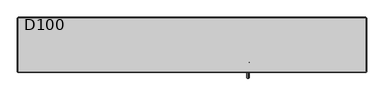
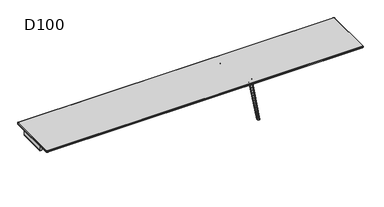
"""IFC4 building model written with IfcOpenShell, lengths in millimetres: furniture geometry, D100."""

from ifc_helpers import new_model, si_unit, point, frame, frame_2d, origin, place, context, project, spatial, polyline, circle_curve, ellipse_curve, trimmed, segment, composite_curve, outline, extrude, source, transform, mapped, element, save
from ifc_brep_helpers import plane_surface, cylinder_surface, revolved_surface, advanced_brep


def d100_85798ff0(model_context):
    return source(origin(), model_context, "Body", "SolidModel", [
        extrude(outline(composite_curve([segment(trimmed(circle_curve(frame_2d((611.0, 1050.0)), 15.0), [point((611.0, 1035.0))], [point((596.0, 1050.0))], False, "CARTESIAN"), True, "CONTINUOUS"), segment(polyline([(596.0, 1050.0), (596.0, 1065.0)]), True, "CONTINUOUS"), segment(trimmed(circle_curve(frame_2d((611.0, 1065.0)), 15.0), [point((596.0, 1065.0))], [point((611.0, 1080.0))], False, "CARTESIAN"), True, "CONTINUOUS"), segment(polyline([(611.0, 1080.0), (700.0, 1080.0), (700.0, 1035.0), (611.0, 1035.0)]), True, "CONTINUOUS")], self_intersect=False)), frame((0.0, -264.7236545, 0.0), z_axis=(0.0, 1.0, 0.0), x_axis=(0.0, 0.0, 1.0)), (0.0, 0.0, 1.0), 529.4473089),
        extrude(outline(composite_curve([segment(polyline([(611.0, 1035.0), (700.0, 1035.0), (700.0, 990.0), (611.0, 990.0)]), True, "CONTINUOUS"), segment(trimmed(circle_curve(frame_2d((611.0, 1005.0)), 15.0), [point((611.0, 990.0))], [point((596.0, 1005.0))], False, "CARTESIAN"), True, "CONTINUOUS"), segment(polyline([(596.0, 1005.0), (596.0, 1020.0)]), True, "CONTINUOUS"), segment(trimmed(circle_curve(frame_2d((611.0, 1020.0)), 15.0), [point((596.0, 1020.0))], [point((611.0, 1035.0))], False, "CARTESIAN"), True, "CONTINUOUS")], self_intersect=False)), frame((0.0, -264.7236545, 0.0), z_axis=(0.0, 1.0, 0.0), x_axis=(0.0, 0.0, 1.0)), (0.0, 0.0, 1.0), 529.4473089),
        extrude(outline(composite_curve([segment(polyline([(611.0, 3149.0), (700.0, 3149.0), (700.0, 3104.0), (611.0, 3104.0)]), True, "CONTINUOUS"), segment(trimmed(circle_curve(frame_2d((611.0, 3119.0)), 15.0), [point((611.0, 3104.0))], [point((596.0, 3119.0))], False, "CARTESIAN"), True, "CONTINUOUS"), segment(polyline([(596.0, 3119.0), (596.0, 3134.0)]), True, "CONTINUOUS"), segment(trimmed(circle_curve(frame_2d((611.0, 3134.0)), 15.0), [point((596.0, 3134.0))], [point((611.0, 3149.0))], False, "CARTESIAN"), True, "CONTINUOUS")], self_intersect=False)), frame((0.0, -264.7236545, 0.0), z_axis=(0.0, 1.0, 0.0), x_axis=(0.0, 0.0, 1.0)), (0.0, 0.0, 1.0), 529.4473089),
        extrude(outline(composite_curve([segment(polyline([(611.0, -1035.0), (700.0, -1035.0), (700.0, -1080.0), (611.0, -1080.0)]), True, "CONTINUOUS"), segment(trimmed(circle_curve(frame_2d((611.0, -1065.0)), 15.0), [point((611.0, -1080.0))], [point((596.0, -1065.0))], False, "CARTESIAN"), True, "CONTINUOUS"), segment(polyline([(596.0, -1065.0), (596.0, -1050.0)]), True, "CONTINUOUS"), segment(trimmed(circle_curve(frame_2d((611.0, -1050.0)), 15.0), [point((596.0, -1050.0))], [point((611.0, -1035.0))], False, "CARTESIAN"), True, "CONTINUOUS")], self_intersect=False)), frame((0.0, -264.7236545, 0.0), z_axis=(0.0, 1.0, 0.0), x_axis=(0.0, 0.0, 1.0)), (0.0, 0.0, 1.0), 529.4473089),
        extrude(outline(composite_curve([segment(trimmed(circle_curve(frame_2d((611.0, -1020.0)), 15.0), [point((611.0, -1035.0))], [point((596.0, -1020.0))], False, "CARTESIAN"), True, "CONTINUOUS"), segment(polyline([(596.0, -1020.0), (596.0, -1005.0)]), True, "CONTINUOUS"), segment(trimmed(circle_curve(frame_2d((611.0, -1005.0)), 15.0), [point((596.0, -1005.0))], [point((611.0, -990.0))], False, "CARTESIAN"), True, "CONTINUOUS"), segment(polyline([(611.0, -990.0), (700.0, -990.0), (700.0, -1035.0), (611.0, -1035.0)]), True, "CONTINUOUS")], self_intersect=False)), frame((0.0, -264.7236545, 0.0), z_axis=(0.0, 1.0, 0.0), x_axis=(0.0, 0.0, 1.0)), (0.0, 0.0, 1.0), 529.4473089),
        extrude(outline(composite_curve([segment(trimmed(circle_curve(frame_2d((611.0, -3134.0)), 15.0), [point((611.0, -3149.0))], [point((596.0, -3134.0))], False, "CARTESIAN"), True, "CONTINUOUS"), segment(polyline([(596.0, -3134.0), (596.0, -3119.0)]), True, "CONTINUOUS"), segment(trimmed(circle_curve(frame_2d((611.0, -3119.0)), 15.0), [point((596.0, -3119.0))], [point((611.0, -3104.0))], False, "CARTESIAN"), True, "CONTINUOUS"), segment(polyline([(611.0, -3104.0), (700.0, -3104.0), (700.0, -3149.0), (611.0, -3149.0)]), True, "CONTINUOUS")], self_intersect=False)), frame((0.0, -264.7236545, 0.0), z_axis=(0.0, 1.0, 0.0), x_axis=(0.0, 0.0, 1.0)), (0.0, 0.0, 1.0), 529.4473089),
        advanced_brep(
        [(-3132.0, 495.0, 732.0), (-3145.0, 482.0, 732.0), (-3145.0, -482.0, 732.0), (-3132.0, -495.0, 732.0), (3132.0, -495.0, 732.0), (3145.0, -482.0, 732.0), (3145.0, 482.0, 732.0), (3132.0, 495.0, 732.0), (-3145.0, 482.0, 706.0), (-3132.0, 495.0, 706.0), (3132.0, 495.0, 706.0), (3145.0, 482.0, 706.0), (3145.0, -482.0, 706.0), (3132.0, -495.0, 706.0), (-3132.0, -495.0, 706.0), (-3145.0, -482.0, 706.0), (-3150.0, 482.0, 727.0000055), (-3150.0, 482.0, 711.0), (-3150.0, -482.0, 711.0), (-3150.0, -482.0, 727.0), (-3132.0, -500.0, 711.0), (-3132.0, -500.0, 727.0000046), (3132.0, -500.0, 711.0), (3132.0, -500.0, 727.0), (3150.0, -482.0, 711.0), (3150.0, -482.0, 727.0000026), (3150.0, 482.0, 711.0), (3150.0, 482.0, 727.0), (-3132.0, 500.0, 711.0), (-3132.0, 500.0, 727.0), (3132.0, 500.0, 711.0), (3132.0, 500.0, 727.0)],
        [
            (0, 1, circle_curve(frame((-3132.0, 482.0, 732.0), z_axis=(0.0, 0.0, 1.0), x_axis=(0.0, 1.0, 0.0)), 13.0)),
            (1, 2),
            (2, 3, circle_curve(frame((-3132.0, -482.0, 732.0), z_axis=(0.0, 0.0, 1.0), x_axis=(-1.0, 0.0, 0.0)), 13.0)),
            (3, 4),
            (4, 5, circle_curve(frame((3132.0, -482.0, 732.0), z_axis=(0.0, 0.0, 1.0), x_axis=(0.0, -1.0, 0.0)), 13.0)),
            (5, 6),
            (6, 7, circle_curve(frame((3132.0, 482.0, 732.0), z_axis=(0.0, 0.0, 1.0), x_axis=(1.0, 0.0, 0.0)), 13.0)),
            (7, 0),
            (8, 9, circle_curve(frame((-3132.0, 482.0, 706.0), z_axis=(0.0, 0.0, -1.0), x_axis=(0.0, 1.0, 0.0)), 13.0)),
            (9, 10),
            (10, 11, circle_curve(frame((3132.0, 482.0, 706.0), z_axis=(0.0, 0.0, -1.0), x_axis=(1.0, 0.0, 0.0)), 13.0)),
            (11, 12),
            (12, 13, circle_curve(frame((3132.0, -482.0, 706.0), z_axis=(0.0, 0.0, -1.0), x_axis=(0.0, -1.0, 0.0)), 13.0)),
            (13, 14),
            (14, 15, circle_curve(frame((-3132.0, -482.0, 706.0), z_axis=(0.0, 0.0, -1.0), x_axis=(-1.0, 0.0, 0.0)), 13.0)),
            (15, 8),
            (16, 17),
            (17, 18),
            (18, 19),
            (19, 16),
            (18, 20, circle_curve(frame((-3132.0, -482.0, 711.0), z_axis=(0.0, 0.0, 1.0), x_axis=(1.0, 0.0, 0.0)), 18.0)),
            (20, 21),
            (21, 19, circle_curve(frame((-3132.0, -482.0, 727.0), z_axis=(0.0, 0.0, -1.0), x_axis=(1.0, 0.0, 0.0)), 18.0)),
            (20, 22),
            (22, 23),
            (23, 21),
            (22, 24, circle_curve(frame((3132.0, -482.0, 711.0), z_axis=(0.0, 0.0, 1.0), x_axis=(1.0, 0.0, 0.0)), 18.0)),
            (24, 25),
            (25, 23, circle_curve(frame((3132.0, -482.0, 727.0), z_axis=(0.0, 0.0, -1.0), x_axis=(1.0, 0.0, 0.0)), 18.0)),
            (24, 26),
            (26, 27),
            (27, 25),
            (8, 17, circle_curve(frame((-3145.0, 482.0, 711.0), z_axis=(0.0, 1.0, 0.0), x_axis=(1.0, 0.0, 0.0)), 5.0)),
            (17, 28, circle_curve(frame((-3132.0, 482.0, 711.0), z_axis=(0.0, 0.0, -1.0), x_axis=(0.0, 1.0, 0.0)), 18.0)),
            (28, 9, circle_curve(frame((-3132.0, 495.0, 711.0), z_axis=(-1.0, 0.0, 0.0), x_axis=(0.0, -1.0, 0.0)), 5.0)),
            (16, 1, circle_curve(frame((-3145.0, 482.0, 727.0), z_axis=(0.0, 1.0, 0.0), x_axis=(1.0, 0.0, 0.0)), 5.0)),
            (0, 29, circle_curve(frame((-3132.0, 495.0, 727.0), z_axis=(-1.0, 0.0, 0.0), x_axis=(0.0, -1.0, 0.0)), 5.0)),
            (29, 16, circle_curve(frame((-3132.0, 482.0, 727.0), z_axis=(0.0, 0.0, 1.0), x_axis=(0.0, 1.0, 0.0)), 18.0)),
            (15, 18, circle_curve(frame((-3145.0, -482.0, 711.0), z_axis=(0.0, 1.0, 0.0), x_axis=(1.0, 0.0, 0.0)), 5.0)),
            (19, 2, circle_curve(frame((-3145.0, -482.0, 727.0), z_axis=(0.0, 1.0, 0.0), x_axis=(1.0, 0.0, 0.0)), 5.0)),
            (14, 20, circle_curve(frame((-3132.0, -495.0, 711.0), z_axis=(-1.0, 0.0, 0.0), x_axis=(0.0, 1.0, 0.0)), 5.0)),
            (21, 3, circle_curve(frame((-3132.0, -495.0, 727.0), z_axis=(-1.0, 0.0, 0.0), x_axis=(0.0, 1.0, 0.0)), 5.0)),
            (13, 22, circle_curve(frame((3132.0, -495.0, 711.0), z_axis=(-1.0, 0.0, 0.0), x_axis=(0.0, 1.0, 0.0)), 5.0)),
            (23, 4, circle_curve(frame((3132.0, -495.0, 727.0), z_axis=(-1.0, 0.0, 0.0), x_axis=(0.0, 1.0, 0.0)), 5.0)),
            (12, 24, circle_curve(frame((3145.0, -482.0, 711.0), z_axis=(0.0, -1.0, 0.0), x_axis=(-1.0, 0.0, 0.0)), 5.0)),
            (25, 5, circle_curve(frame((3145.0, -482.0, 727.0), z_axis=(0.0, -1.0, 0.0), x_axis=(-1.0, 0.0, 0.0)), 5.0)),
            (11, 26, circle_curve(frame((3145.0, 482.0, 711.0), z_axis=(0.0, -1.0, 0.0), x_axis=(-1.0, 0.0, 0.0)), 5.0)),
            (27, 6, circle_curve(frame((3145.0, 482.0, 727.0), z_axis=(0.0, -1.0, 0.0), x_axis=(-1.0, 0.0, 0.0)), 5.0)),
            (10, 30, circle_curve(frame((3132.0, 495.0, 711.0), z_axis=(1.0, 0.0, 0.0), x_axis=(0.0, -1.0, 0.0)), 5.0)),
            (30, 26, circle_curve(frame((3132.0, 482.0, 711.0), z_axis=(0.0, 0.0, -1.0), x_axis=(1.0, 0.0, 0.0)), 18.0)),
            (27, 31, circle_curve(frame((3132.0, 482.0, 727.0), z_axis=(0.0, 0.0, 1.0), x_axis=(1.0, 0.0, 0.0)), 18.0)),
            (31, 7, circle_curve(frame((3132.0, 495.0, 727.0), z_axis=(1.0, 0.0, 0.0), x_axis=(0.0, -1.0, 0.0)), 5.0)),
            (28, 30),
            (31, 29),
            (30, 31),
            (28, 29),
        ],
        [
            plane_surface(frame((-3150.0, -482.0, 732.0), z_axis=(0.0, 0.0, 1.0), x_axis=(0.0, -1.0, 0.0))),
            plane_surface(frame((-3150.0, -482.0, 706.0), z_axis=(0.0, 0.0, -1.0), x_axis=(0.0, 1.0, 0.0))),
            plane_surface(frame((-3150.0, 482.0, 732.0), z_axis=(-1.0, 0.0, 0.0), x_axis=(0.0, 0.0, -1.0))),
            cylinder_surface(frame((-3132.0, -482.0, 706.0), z_axis=(0.0, 0.0, 1.0), x_axis=(1.0, 0.0, 0.0)), 18.0),
            plane_surface(frame((-3132.0, -500.0, 732.0), z_axis=(0.0, -1.0, 0.0), x_axis=(0.0, 0.0, -1.0))),
            cylinder_surface(frame((3132.0, -482.0, 706.0), z_axis=(0.0, 0.0, 1.0), x_axis=(1.0, 0.0, 0.0)), 18.0),
            plane_surface(frame((3150.0, -482.0, 732.0), z_axis=(1.0, 0.0, 0.0), x_axis=(0.0, 0.0, -1.0))),
            revolved_surface(trimmed(ellipse_curve(frame((-3132.0, 495.0, 711.0), z_axis=(1.0, 0.0, 0.0), x_axis=(0.0, -1.0, 0.0)), 5.0, 5.0), [point((-3132.0, 495.0, 706.0))], [point((-3132.0, 500.0, 711.0))], True, "CARTESIAN"), (-3132.0, 482.0, -180.0), (0.0, 0.0, 1.0)),
            revolved_surface(trimmed(ellipse_curve(frame((-3132.0, 495.0, 727.0), z_axis=(1.0, 0.0, 0.0), x_axis=(0.0, -1.0, 0.0)), 5.0, 5.0), [point((-3132.0, 500.0, 727.0))], [point((-3132.0, 495.0, 732.0))], True, "CARTESIAN"), (-3132.0, 482.0, -180.0), (0.0, 0.0, 1.0)),
            cylinder_surface(frame((-3145.0, 482.0, 711.0), z_axis=(0.0, -1.0, 0.0), x_axis=(1.0, 0.0, 0.0)), 5.0),
            cylinder_surface(frame((-3145.0, 482.0, 727.0), z_axis=(0.0, -1.0, 0.0), x_axis=(1.0, 0.0, 0.0)), 5.0),
            revolved_surface(trimmed(ellipse_curve(frame((-3145.0, -482.0, 711.0), z_axis=(0.0, 1.0, 0.0), x_axis=(1.0, 0.0, 0.0)), 5.0, 5.0), [point((-3145.0, -482.0, 706.0))], [point((-3150.0, -482.0, 711.0))], True, "CARTESIAN"), (-3132.0, -482.0, -180.0), (0.0, 0.0, 1.0)),
            revolved_surface(trimmed(ellipse_curve(frame((-3145.0, -482.0, 727.0), z_axis=(0.0, 1.0, 0.0), x_axis=(1.0, 0.0, 0.0)), 5.0, 5.0), [point((-3150.0, -482.0, 727.0))], [point((-3145.0, -482.0, 732.0))], True, "CARTESIAN"), (-3132.0, -482.0, -180.0), (0.0, 0.0, 1.0)),
            cylinder_surface(frame((-3132.0, -495.0, 711.0), z_axis=(1.0, 0.0, 0.0), x_axis=(0.0, 1.0, 0.0)), 5.0),
            cylinder_surface(frame((-3132.0, -495.0, 727.0), z_axis=(1.0, 0.0, 0.0), x_axis=(0.0, 1.0, 0.0)), 5.0),
            revolved_surface(trimmed(ellipse_curve(frame((3132.0, -495.0, 711.0), z_axis=(-1.0, 0.0, 0.0), x_axis=(0.0, 1.0, 0.0)), 5.0, 5.0), [point((3132.0, -495.0, 706.0))], [point((3132.0, -500.0, 711.0))], True, "CARTESIAN"), (3132.0, -482.0, -180.0), (0.0, 0.0, 1.0)),
            revolved_surface(trimmed(ellipse_curve(frame((3132.0, -495.0, 727.0), z_axis=(-1.0, 0.0, 0.0), x_axis=(0.0, 1.0, 0.0)), 5.0, 5.0), [point((3132.0, -500.0, 727.0))], [point((3132.0, -495.0, 732.0))], True, "CARTESIAN"), (3132.0, -482.0, -180.0), (0.0, 0.0, 1.0)),
            cylinder_surface(frame((3145.0, -482.0, 711.0), z_axis=(0.0, 1.0, 0.0), x_axis=(-1.0, 0.0, 0.0)), 5.0),
            cylinder_surface(frame((3145.0, -482.0, 727.0), z_axis=(0.0, 1.0, 0.0), x_axis=(-1.0, 0.0, 0.0)), 5.0),
            revolved_surface(trimmed(ellipse_curve(frame((3145.0, 482.0, 711.0), z_axis=(0.0, -1.0, 0.0), x_axis=(-1.0, 0.0, 0.0)), 5.0, 5.0), [point((3145.0, 482.0, 706.0))], [point((3150.0, 482.0, 711.0))], True, "CARTESIAN"), (3132.0, 482.0, -180.0), (0.0, 0.0, 1.0)),
            revolved_surface(trimmed(ellipse_curve(frame((3145.0, 482.0, 727.0), z_axis=(0.0, -1.0, 0.0), x_axis=(-1.0, 0.0, 0.0)), 5.0, 5.0), [point((3150.0, 482.0, 727.0))], [point((3145.0, 482.0, 732.0))], True, "CARTESIAN"), (3132.0, 482.0, -180.0), (0.0, 0.0, 1.0)),
            cylinder_surface(frame((3132.0, 495.0, 711.0), z_axis=(-1.0, 0.0, 0.0), x_axis=(0.0, -1.0, 0.0)), 5.0),
            cylinder_surface(frame((3132.0, 495.0, 727.0), z_axis=(-1.0, 0.0, 0.0), x_axis=(0.0, -1.0, 0.0)), 5.0),
            cylinder_surface(frame((3132.0, 482.0, 706.0), z_axis=(0.0, 0.0, 1.0), x_axis=(1.0, 0.0, 0.0)), 18.0),
            plane_surface(frame((3132.0, 500.0, 732.0), z_axis=(0.0, 1.0, 0.0), x_axis=(0.0, 0.0, -1.0))),
            cylinder_surface(frame((-3132.0, 482.0, 706.0), z_axis=(0.0, 0.0, 1.0), x_axis=(1.0, 0.0, 0.0)), 18.0),
        ],
        [
            (0, [[1, 2, 3, 4, 5, 6, 7, 8]]),
            (1, [[9, 10, 11, 12, 13, 14, 15, 16]]),
            (2, [[17, 18, 19, 20]]),
            (3, [[-19, 21, 22, 23]]),
            (4, [[-22, 24, 25, 26]]),
            (5, [[-25, 27, 28, 29]]),
            (6, [[-28, 30, 31, 32]]),
            (7, [[33, 34, 35, -9]]),
            (8, [[36, -1, 37, 38]]),
            (9, [[-33, -16, 39, -18]]),
            (10, [[-36, -20, 40, -2]]),
            (11, [[-39, -15, 41, -21]]),
            (12, [[-40, -23, 42, -3]]),
            (13, [[-41, -14, 43, -24]]),
            (14, [[-42, -26, 44, -4]]),
            (15, [[-43, -13, 45, -27]]),
            (16, [[-44, -29, 46, -5]]),
            (17, [[-45, -12, 47, -30]]),
            (18, [[-46, -32, 48, -6]]),
            (19, [[-47, -11, 49, 50]]),
            (20, [[-48, 51, 52, -7]]),
            (21, [[-35, 53, -49, -10]]),
            (22, [[-37, -8, -52, 54]]),
            (23, [[-31, -50, 55, -51]]),
            (24, [[-55, -53, 56, -54]]),
            (25, [[-17, -38, -56, -34]]),
        ],
    ),
        advanced_brep(
        [(1104.7259826, 270.7236545, 641.5327762), (1079.9963104, 270.7236545, 611.3326759), (1065.0, 270.7236545, 596.0), (1050.0, 270.7236545, 596.0), (1035.0, 270.7236545, 611.0), (1035.0, 270.7236545, 700.0), (1295.0, 270.7236545, 700.0), (1295.0, 270.7236545, 692.1898324), (1278.5086325, 270.7236545, 672.5), (1104.7259826, 264.7236545, 641.5327762), (1278.5086325, 264.7236545, 672.5), (1295.0, 264.7236545, 692.1898324), (1295.0, 264.7236545, 700.0), (1035.0, 264.7236545, 700.0), (1035.0, 264.7236545, 611.0), (1050.0, 264.7236545, 596.0), (1065.0, 264.7236545, 596.0), (1079.9963104, 264.7236545, 611.3326759), (1035.0, 218.7236545, 700.0), (1035.0, 218.7236545, 706.0), (1035.0, 316.7236545, 706.0), (1035.0, 316.7236545, 700.0), (1051.0, 202.7236545, 706.0), (1279.0, 202.7236545, 706.0), (1295.0, 218.7236545, 706.0), (1295.0, 316.7236545, 706.0), (1279.0, 332.7236545, 706.0), (1051.0, 332.7236545, 706.0), (1295.0, 218.7236545, 700.0), (1295.0, 316.7236545, 700.0), (1051.0, 202.7236545, 700.0), (1279.0, 202.7236545, 700.0), (1051.0, 332.7236545, 700.0), (1279.0, 332.7236545, 700.0)],
        [
            (0, 1, circle_curve(frame((1109.9889313, 270.7236545, 611.9980276), z_axis=(0.0, -1.0, 0.0), x_axis=(-1.0, 0.0, 0.0)), 30.0)),
            (1, 2, circle_curve(frame((1065.0, 270.7236545, 611.0), z_axis=(0.0, 1.0, 0.0), x_axis=(-1.0, 0.0, 0.0)), 15.0)),
            (2, 3),
            (3, 4, circle_curve(frame((1050.0, 270.7236545, 611.0), z_axis=(0.0, 1.0, 0.0), x_axis=(-1.0, 0.0, 0.0)), 15.0)),
            (4, 5),
            (5, 6),
            (6, 7),
            (7, 8, circle_curve(frame((1275.0, 270.7236545, 692.1898324), z_axis=(0.0, 1.0, 0.0), x_axis=(-1.0, 0.0, 0.0)), 20.0)),
            (8, 0),
            (9, 10),
            (10, 11, circle_curve(frame((1275.0, 264.7236545, 692.1898324), z_axis=(0.0, -1.0, 0.0), x_axis=(-1.0, 0.0, 0.0)), 20.0)),
            (11, 12),
            (12, 13),
            (13, 14),
            (14, 15, circle_curve(frame((1050.0, 264.7236545, 611.0), z_axis=(0.0, -1.0, 0.0), x_axis=(-1.0, 0.0, 0.0)), 15.0)),
            (15, 16),
            (16, 17, circle_curve(frame((1065.0, 264.7236545, 611.0), z_axis=(0.0, -1.0, 0.0), x_axis=(-1.0, 0.0, 0.0)), 15.0)),
            (17, 9, circle_curve(frame((1109.9889313, 264.7236545, 611.9980276), z_axis=(0.0, 1.0, 0.0), x_axis=(-1.0, 0.0, 0.0)), 30.0)),
            (0, 9),
            (17, 1),
            (4, 14),
            (13, 18),
            (18, 19),
            (19, 20),
            (20, 21),
            (21, 5),
            (19, 22, circle_curve(frame((1051.0, 218.7236545, 706.0), z_axis=(0.0, 0.0, 1.0), x_axis=(1.0, 0.0, 0.0)), 16.0)),
            (22, 23),
            (23, 24, circle_curve(frame((1279.0, 218.7236545, 706.0), z_axis=(0.0, 0.0, 1.0), x_axis=(1.0, 0.0, 0.0)), 16.0)),
            (24, 25),
            (25, 26, circle_curve(frame((1279.0, 316.7236545, 706.0), z_axis=(0.0, 0.0, 1.0), x_axis=(1.0, 0.0, 0.0)), 16.0)),
            (26, 27),
            (27, 20, circle_curve(frame((1051.0, 316.7236545, 706.0), z_axis=(0.0, 0.0, 1.0), x_axis=(1.0, 0.0, 0.0)), 16.0)),
            (24, 28),
            (28, 12),
            (11, 7),
            (6, 29),
            (29, 25),
            (10, 8),
            (16, 2),
            (15, 3),
            (30, 18, circle_curve(frame((1051.0, 218.7236545, 700.0), z_axis=(0.0, 0.0, -1.0), x_axis=(1.0, 0.0, 0.0)), 16.0)),
            (28, 31, circle_curve(frame((1279.0, 218.7236545, 700.0), z_axis=(0.0, 0.0, -1.0), x_axis=(1.0, 0.0, 0.0)), 16.0)),
            (31, 30),
            (21, 32, circle_curve(frame((1051.0, 316.7236545, 700.0), z_axis=(0.0, 0.0, -1.0), x_axis=(1.0, 0.0, 0.0)), 16.0)),
            (32, 33),
            (33, 29, circle_curve(frame((1279.0, 316.7236545, 700.0), z_axis=(0.0, 0.0, -1.0), x_axis=(1.0, 0.0, 0.0)), 16.0)),
            (30, 22),
            (27, 32),
            (26, 33),
            (23, 31),
        ],
        [
            plane_surface(frame((1079.9889313, 270.7236545, 611.9980276), z_axis=(0.0, 1.0, 0.0), x_axis=(0.0, 0.0, -1.0))),
            plane_surface(frame((1079.9889313, 264.7236545, 611.9980276), z_axis=(0.0, -1.0, 0.0), x_axis=(0.0, 0.0, 1.0))),
            revolved_surface(polyline([(1079.9889313, 264.7236545, 611.9980276), (1079.9889313, 270.7236545, 611.9980276)]), (1109.9889313, 264.7236545, 611.9980276), (0.0, -1.0, 0.0)),
            plane_surface(frame((1035.0, 270.7236545, 611.0), z_axis=(-1.0, 0.0, 0.0), x_axis=(0.0, -1.0, 0.0))),
            plane_surface(frame((1035.0, 270.7236545, 706.0), z_axis=(0.0, 0.0, 1.0), x_axis=(0.0, -1.0, 0.0))),
            plane_surface(frame((1295.0, 270.7236545, 706.0), z_axis=(1.0, 0.0, 0.0), x_axis=(0.0, -1.0, 0.0))),
            cylinder_surface(frame((1275.0, 264.7236545, 692.1898324), z_axis=(0.0, 1.0, 0.0), x_axis=(-1.0, 0.0, 0.0)), 20.0),
            plane_surface(frame((1278.5086325, 270.7236545, 672.5), z_axis=(0.1754316229946508, 0.0, -0.9844916178685641), x_axis=(0.0, -1.0, 0.0))),
            cylinder_surface(frame((1065.0, 264.7236545, 611.0), z_axis=(0.0, 1.0, 0.0), x_axis=(-1.0, 0.0, 0.0)), 15.0),
            plane_surface(frame((1065.0, 270.7236545, 596.0), z_axis=(0.0, 0.0, -1.0), x_axis=(0.0, -1.0, 0.0))),
            cylinder_surface(frame((1050.0, 264.7236545, 611.0), z_axis=(0.0, 1.0, 0.0), x_axis=(-1.0, 0.0, 0.0)), 15.0),
            plane_surface(frame((1279.0, 202.7236545, 700.0), z_axis=(0.0, 0.0, -1.0), x_axis=(-1.0, 0.0, 0.0))),
            cylinder_surface(frame((1051.0, 218.7236545, 700.0), z_axis=(0.0, 0.0, 1.0), x_axis=(1.0, 0.0, 0.0)), 16.0),
            cylinder_surface(frame((1051.0, 316.7236545, 700.0), z_axis=(0.0, 0.0, 1.0), x_axis=(1.0, 0.0, 0.0)), 16.0),
            plane_surface(frame((1279.0, 332.7236545, 706.0), z_axis=(0.0, 1.0, 0.0), x_axis=(0.0, 0.0, -1.0))),
            cylinder_surface(frame((1279.0, 316.7236545, 700.0), z_axis=(0.0, 0.0, 1.0), x_axis=(1.0, 0.0, 0.0)), 16.0),
            cylinder_surface(frame((1279.0, 218.7236545, 700.0), z_axis=(0.0, 0.0, 1.0), x_axis=(1.0, 0.0, 0.0)), 16.0),
            plane_surface(frame((1051.0, 202.7236545, 706.0), z_axis=(0.0, -1.0, 0.0), x_axis=(0.0, 0.0, -1.0))),
        ],
        [
            (0, [[1, 2, 3, 4, 5, 6, 7, 8, 9]]),
            (1, [[10, 11, 12, 13, 14, 15, 16, 17, 18]]),
            (2, [[-1, 19, -18, 20]]),
            (3, [[21, -14, 22, 23, 24, 25, 26, -5]]),
            (4, [[-24, 27, 28, 29, 30, 31, 32, 33]]),
            (5, [[-30, 34, 35, -12, 36, -7, 37, 38]]),
            (6, [[-8, -36, -11, 39]]),
            (7, [[-9, -39, -10, -19]]),
            (8, [[-2, -20, -17, 40]]),
            (9, [[-3, -40, -16, 41]]),
            (10, [[-4, -41, -15, -21]]),
            (11, [[42, -22, -13, -35, 43, 44]]),
            (11, [[45, 46, 47, -37, -6, -26]]),
            (12, [[-27, -23, -42, 48]]),
            (13, [[-33, 49, -45, -25]]),
            (14, [[-32, 50, -46, -49]]),
            (15, [[-31, -38, -47, -50]]),
            (16, [[-29, 51, -43, -34]]),
            (17, [[-28, -48, -44, -51]]),
        ],
    ),
        advanced_brep(
        [(1104.7259826, -270.7236545, 641.5327762), (1278.5086325, -270.7236545, 672.5), (1295.0, -270.7236545, 692.1898324), (1295.0, -270.7236545, 700.0), (1035.0, -270.7236545, 700.0), (1035.0, -270.7236545, 611.0), (1050.0, -270.7236545, 596.0), (1065.0, -270.7236545, 596.0), (1079.9963104, -270.7236545, 611.3326759), (1104.7259826, -264.7236545, 641.5327762), (1079.9963104, -264.7236545, 611.3326759), (1065.0, -264.7236545, 596.0), (1050.0, -264.7236545, 596.0), (1035.0, -264.7236545, 611.0), (1035.0, -264.7236545, 700.0), (1295.0, -264.7236545, 700.0), (1295.0, -264.7236545, 692.1898324), (1278.5086325, -264.7236545, 672.5), (1035.0, -218.7236545, 706.0), (1035.0, -218.7236545, 700.0), (1035.0, -316.7236545, 700.0), (1035.0, -316.7236545, 706.0), (1051.0, -332.7236545, 706.0), (1279.0, -332.7236545, 706.0), (1295.0, -316.7236545, 706.0), (1295.0, -218.7236545, 706.0), (1279.0, -202.7236545, 706.0), (1051.0, -202.7236545, 706.0), (1295.0, -316.7236545, 700.0), (1295.0, -218.7236545, 700.0), (1051.0, -202.7236545, 700.0), (1279.0, -202.7236545, 700.0), (1279.0, -332.7236545, 700.0), (1051.0, -332.7236545, 700.0)],
        [
            (0, 1),
            (1, 2, circle_curve(frame((1275.0, -270.7236545, 692.1898324), z_axis=(0.0, -1.0, 0.0), x_axis=(-1.0, 0.0, 0.0)), 20.0)),
            (2, 3),
            (3, 4),
            (4, 5),
            (5, 6, circle_curve(frame((1050.0, -270.7236545, 611.0), z_axis=(0.0, -1.0, 0.0), x_axis=(-1.0, 0.0, 0.0)), 15.0)),
            (6, 7),
            (7, 8, circle_curve(frame((1065.0, -270.7236545, 611.0), z_axis=(0.0, -1.0, 0.0), x_axis=(-1.0, 0.0, 0.0)), 15.0)),
            (8, 0, circle_curve(frame((1109.9889313, -270.7236545, 611.9980276), z_axis=(0.0, 1.0, 0.0), x_axis=(-1.0, 0.0, 0.0)), 30.0)),
            (9, 10, circle_curve(frame((1109.9889313, -264.7236545, 611.9980276), z_axis=(0.0, -1.0, 0.0), x_axis=(-1.0, 0.0, 0.0)), 30.0)),
            (10, 11, circle_curve(frame((1065.0, -264.7236545, 611.0), z_axis=(0.0, 1.0, 0.0), x_axis=(-1.0, 0.0, 0.0)), 15.0)),
            (11, 12),
            (12, 13, circle_curve(frame((1050.0, -264.7236545, 611.0), z_axis=(0.0, 1.0, 0.0), x_axis=(-1.0, 0.0, 0.0)), 15.0)),
            (13, 14),
            (14, 15),
            (15, 16),
            (16, 17, circle_curve(frame((1275.0, -264.7236545, 692.1898324), z_axis=(0.0, 1.0, 0.0), x_axis=(-1.0, 0.0, 0.0)), 20.0)),
            (17, 9),
            (8, 10),
            (9, 0),
            (18, 19),
            (19, 14),
            (13, 5),
            (4, 20),
            (20, 21),
            (21, 18),
            (21, 22, circle_curve(frame((1051.0, -316.7236545, 706.0), z_axis=(0.0, 0.0, 1.0), x_axis=(1.0, 0.0, 0.0)), 16.0)),
            (22, 23),
            (23, 24, circle_curve(frame((1279.0, -316.7236545, 706.0), z_axis=(0.0, 0.0, 1.0), x_axis=(1.0, 0.0, 0.0)), 16.0)),
            (24, 25),
            (25, 26, circle_curve(frame((1279.0, -218.7236545, 706.0), z_axis=(0.0, 0.0, 1.0), x_axis=(1.0, 0.0, 0.0)), 16.0)),
            (26, 27),
            (27, 18, circle_curve(frame((1051.0, -218.7236545, 706.0), z_axis=(0.0, 0.0, 1.0), x_axis=(1.0, 0.0, 0.0)), 16.0)),
            (24, 28),
            (28, 3),
            (2, 16),
            (15, 29),
            (29, 25),
            (1, 17),
            (7, 11),
            (6, 12),
            (30, 31),
            (31, 29, circle_curve(frame((1279.0, -218.7236545, 700.0), z_axis=(0.0, 0.0, -1.0), x_axis=(1.0, 0.0, 0.0)), 16.0)),
            (19, 30, circle_curve(frame((1051.0, -218.7236545, 700.0), z_axis=(0.0, 0.0, -1.0), x_axis=(1.0, 0.0, 0.0)), 16.0)),
            (28, 32, circle_curve(frame((1279.0, -316.7236545, 700.0), z_axis=(0.0, 0.0, -1.0), x_axis=(1.0, 0.0, 0.0)), 16.0)),
            (32, 33),
            (33, 20, circle_curve(frame((1051.0, -316.7236545, 700.0), z_axis=(0.0, 0.0, -1.0), x_axis=(1.0, 0.0, 0.0)), 16.0)),
            (27, 30),
            (33, 22),
            (32, 23),
            (31, 26),
        ],
        [
            plane_surface(frame((1278.5086325, -270.7236545, 672.5), z_axis=(0.0, -1.0, 0.0), x_axis=(0.9844916178685641, 0.0, 0.1754316229946508))),
            plane_surface(frame((1278.5086325, -264.7236545, 672.5), z_axis=(0.0, 1.0, 0.0), x_axis=(-0.9844916178685641, 0.0, -0.1754316229946508))),
            revolved_surface(polyline([(1079.9889313, -264.7236545, 611.9980276), (1079.9889313, -270.7236545, 611.9980276)]), (1109.9889313, -264.7236545, 611.9980276), (0.0, 1.0, 0.0)),
            plane_surface(frame((1035.0, -270.7236545, 706.0), z_axis=(-1.0, 0.0, 0.0), x_axis=(0.0, 1.0, 0.0))),
            plane_surface(frame((1295.0, -270.7236545, 706.0), z_axis=(0.0, 0.0, 1.0), x_axis=(0.0, 1.0, 0.0))),
            plane_surface(frame((1295.0, -270.7236545, 692.1898324), z_axis=(1.0, 0.0, 0.0), x_axis=(0.0, 1.0, 0.0))),
            cylinder_surface(frame((1275.0, -264.7236545, 692.1898324), z_axis=(0.0, -1.0, 0.0), x_axis=(-1.0, 0.0, 0.0)), 20.0),
            plane_surface(frame((1104.7259826, -270.7236545, 641.5327762), z_axis=(0.1754316229946508, 0.0, -0.9844916178685641), x_axis=(0.0, 1.0, 0.0))),
            cylinder_surface(frame((1065.0, -264.7236545, 611.0), z_axis=(0.0, -1.0, 0.0), x_axis=(-1.0, 0.0, 0.0)), 15.0),
            plane_surface(frame((1050.0, -270.7236545, 596.0), z_axis=(0.0, 0.0, -1.0), x_axis=(0.0, 1.0, 0.0))),
            cylinder_surface(frame((1050.0, -264.7236545, 611.0), z_axis=(0.0, -1.0, 0.0), x_axis=(-1.0, 0.0, 0.0)), 15.0),
            plane_surface(frame((1067.0, -218.7236545, 700.0), z_axis=(0.0, 0.0, -1.0), x_axis=(0.0, -1.0, 0.0))),
            cylinder_surface(frame((1051.0, -218.7236545, 700.0), z_axis=(0.0, 0.0, 1.0), x_axis=(1.0, 0.0, 0.0)), 16.0),
            cylinder_surface(frame((1051.0, -316.7236545, 700.0), z_axis=(0.0, 0.0, 1.0), x_axis=(1.0, 0.0, 0.0)), 16.0),
            plane_surface(frame((1051.0, -332.7236545, 706.0), z_axis=(0.0, -1.0, 0.0), x_axis=(0.0, 0.0, -1.0))),
            cylinder_surface(frame((1279.0, -316.7236545, 700.0), z_axis=(0.0, 0.0, 1.0), x_axis=(1.0, 0.0, 0.0)), 16.0),
            cylinder_surface(frame((1279.0, -218.7236545, 700.0), z_axis=(0.0, 0.0, 1.0), x_axis=(1.0, 0.0, 0.0)), 16.0),
            plane_surface(frame((1279.0, -202.7236545, 706.0), z_axis=(0.0, 1.0, 0.0), x_axis=(0.0, 0.0, -1.0))),
        ],
        [
            (0, [[1, 2, 3, 4, 5, 6, 7, 8, 9]]),
            (1, [[10, 11, 12, 13, 14, 15, 16, 17, 18]]),
            (2, [[-9, 19, -10, 20]]),
            (3, [[21, 22, -14, 23, -5, 24, 25, 26]]),
            (4, [[-26, 27, 28, 29, 30, 31, 32, 33]]),
            (5, [[-30, 34, 35, -3, 36, -16, 37, 38]]),
            (6, [[-2, 39, -17, -36]]),
            (7, [[-1, -20, -18, -39]]),
            (8, [[-8, 40, -11, -19]]),
            (9, [[-7, 41, -12, -40]]),
            (10, [[-6, -23, -13, -41]]),
            (11, [[42, 43, -37, -15, -22, 44]]),
            (11, [[45, 46, 47, -24, -4, -35]]),
            (12, [[-33, 48, -44, -21]]),
            (13, [[-27, -25, -47, 49]]),
            (14, [[-28, -49, -46, 50]]),
            (15, [[-29, -50, -45, -34]]),
            (16, [[-31, -38, -43, 51]]),
            (17, [[-32, -51, -42, -48]]),
        ],
    ),
        advanced_brep(
        [(965.2740174, 270.7236545, 641.5327762), (791.4913675, 270.7236545, 672.5), (775.0, 270.7236545, 692.1898324), (775.0, 270.7236545, 700.0), (1035.0, 270.7236545, 700.0), (1035.0, 270.7236545, 611.0), (1020.0, 270.7236545, 596.0), (1005.0, 270.7236545, 596.0), (990.0036896, 270.7236545, 611.3326759), (965.2740174, 264.7236545, 641.5327762), (990.0036896, 264.7236545, 611.3326759), (1005.0, 264.7236545, 596.0), (1020.0, 264.7236545, 596.0), (1035.0, 264.7236545, 611.0), (1035.0, 264.7236545, 700.0), (775.0, 264.7236545, 700.0), (775.0, 264.7236545, 692.1898324), (791.4913675, 264.7236545, 672.5), (1035.0, 218.7236545, 706.0), (1035.0, 218.7236545, 700.0), (1035.0, 316.7236545, 700.0), (1035.0, 316.7236545, 706.0), (1019.0, 332.7236545, 706.0), (791.0, 332.7236545, 706.0), (775.0, 316.7236545, 706.0), (775.0, 218.7236545, 706.0), (791.0, 202.7236545, 706.0), (1019.0, 202.7236545, 706.0), (775.0, 316.7236545, 700.0), (775.0, 218.7236545, 700.0), (1019.0, 202.7236545, 700.0), (791.0, 202.7236545, 700.0), (791.0, 332.7236545, 700.0), (1019.0, 332.7236545, 700.0)],
        [
            (0, 1),
            (1, 2, circle_curve(frame((795.0, 270.7236545, 692.1898324), z_axis=(0.0, 1.0, 0.0), x_axis=(1.0, 0.0, 0.0)), 20.0)),
            (2, 3),
            (3, 4),
            (4, 5),
            (5, 6, circle_curve(frame((1020.0, 270.7236545, 611.0), z_axis=(0.0, 1.0, 0.0), x_axis=(1.0, 0.0, 0.0)), 15.0)),
            (6, 7),
            (7, 8, circle_curve(frame((1005.0, 270.7236545, 611.0), z_axis=(0.0, 1.0, 0.0), x_axis=(1.0, 0.0, 0.0)), 15.0)),
            (8, 0, circle_curve(frame((960.0110687, 270.7236545, 611.9980276), z_axis=(0.0, -1.0, 0.0), x_axis=(1.0, 0.0, 0.0)), 30.0)),
            (9, 10, circle_curve(frame((960.0110687, 264.7236545, 611.9980276), z_axis=(0.0, 1.0, 0.0), x_axis=(1.0, 0.0, 0.0)), 30.0)),
            (10, 11, circle_curve(frame((1005.0, 264.7236545, 611.0), z_axis=(0.0, -1.0, 0.0), x_axis=(1.0, 0.0, 0.0)), 15.0)),
            (11, 12),
            (12, 13, circle_curve(frame((1020.0, 264.7236545, 611.0), z_axis=(0.0, -1.0, 0.0), x_axis=(1.0, 0.0, 0.0)), 15.0)),
            (13, 14),
            (14, 15),
            (15, 16),
            (16, 17, circle_curve(frame((795.0, 264.7236545, 692.1898324), z_axis=(0.0, -1.0, 0.0), x_axis=(1.0, 0.0, 0.0)), 20.0)),
            (17, 9),
            (8, 10),
            (9, 0),
            (18, 19),
            (19, 14),
            (13, 5),
            (4, 20),
            (20, 21),
            (21, 18),
            (21, 22, circle_curve(frame((1019.0, 316.7236545, 706.0), z_axis=(0.0, 0.0, 1.0), x_axis=(-1.0, 0.0, 0.0)), 16.0)),
            (22, 23),
            (23, 24, circle_curve(frame((791.0, 316.7236545, 706.0), z_axis=(0.0, 0.0, 1.0), x_axis=(-1.0, 0.0, 0.0)), 16.0)),
            (24, 25),
            (25, 26, circle_curve(frame((791.0, 218.7236545, 706.0), z_axis=(0.0, 0.0, 1.0), x_axis=(-1.0, 0.0, 0.0)), 16.0)),
            (26, 27),
            (27, 18, circle_curve(frame((1019.0, 218.7236545, 706.0), z_axis=(0.0, 0.0, 1.0), x_axis=(-1.0, 0.0, 0.0)), 16.0)),
            (24, 28),
            (28, 3),
            (2, 16),
            (15, 29),
            (29, 25),
            (1, 17),
            (7, 11),
            (6, 12),
            (30, 31),
            (31, 29, circle_curve(frame((791.0, 218.7236545, 700.0), z_axis=(0.0, 0.0, -1.0), x_axis=(-1.0, 0.0, 0.0)), 16.0)),
            (19, 30, circle_curve(frame((1019.0, 218.7236545, 700.0), z_axis=(0.0, 0.0, -1.0), x_axis=(-1.0, 0.0, 0.0)), 16.0)),
            (28, 32, circle_curve(frame((791.0, 316.7236545, 700.0), z_axis=(0.0, 0.0, -1.0), x_axis=(-1.0, 0.0, 0.0)), 16.0)),
            (32, 33),
            (33, 20, circle_curve(frame((1019.0, 316.7236545, 700.0), z_axis=(0.0, 0.0, -1.0), x_axis=(-1.0, 0.0, 0.0)), 16.0)),
            (27, 30),
            (33, 22),
            (32, 23),
            (31, 26),
        ],
        [
            plane_surface(frame((791.4913675, 270.7236545, 672.5), z_axis=(0.0, 1.0, 0.0), x_axis=(-0.9844916178685641, 0.0, 0.1754316229946508))),
            plane_surface(frame((791.4913675, 264.7236545, 672.5), z_axis=(0.0, -1.0, 0.0), x_axis=(0.9844916178685641, 0.0, -0.1754316229946508))),
            revolved_surface(polyline([(990.0110687, 264.7236545, 611.9980276), (990.0110687, 270.7236545, 611.9980276)]), (960.0110687, 264.7236545, 611.9980276), (0.0, -1.0, 0.0)),
            plane_surface(frame((1035.0, 270.7236545, 706.0), z_axis=(1.0, 0.0, 0.0), x_axis=(0.0, -1.0, 0.0))),
            plane_surface(frame((775.0, 270.7236545, 706.0), z_axis=(0.0, 0.0, 1.0), x_axis=(0.0, -1.0, 0.0))),
            plane_surface(frame((775.0, 270.7236545, 692.1898324), z_axis=(-1.0, 0.0, 0.0), x_axis=(0.0, -1.0, 0.0))),
            cylinder_surface(frame((795.0, 264.7236545, 692.1898324), z_axis=(0.0, 1.0, 0.0), x_axis=(1.0, 0.0, 0.0)), 20.0),
            plane_surface(frame((965.2740174, 270.7236545, 641.5327762), z_axis=(-0.1754316229946508, 0.0, -0.9844916178685641), x_axis=(0.0, -1.0, 0.0))),
            cylinder_surface(frame((1005.0, 264.7236545, 611.0), z_axis=(0.0, 1.0, 0.0), x_axis=(1.0, 0.0, 0.0)), 15.0),
            plane_surface(frame((1020.0, 270.7236545, 596.0), z_axis=(0.0, 0.0, -1.0), x_axis=(0.0, -1.0, 0.0))),
            cylinder_surface(frame((1020.0, 264.7236545, 611.0), z_axis=(0.0, 1.0, 0.0), x_axis=(1.0, 0.0, 0.0)), 15.0),
            plane_surface(frame((1003.0, 218.7236545, 700.0), z_axis=(0.0, 0.0, -1.0), x_axis=(0.0, 1.0, 0.0))),
            cylinder_surface(frame((1019.0, 218.7236545, 700.0), z_axis=(0.0, 0.0, 1.0), x_axis=(-1.0, 0.0, 0.0)), 16.0),
            cylinder_surface(frame((1019.0, 316.7236545, 700.0), z_axis=(0.0, 0.0, 1.0), x_axis=(-1.0, 0.0, 0.0)), 16.0),
            plane_surface(frame((1019.0, 332.7236545, 706.0), z_axis=(0.0, 1.0, 0.0), x_axis=(0.0, 0.0, -1.0))),
            cylinder_surface(frame((791.0, 316.7236545, 700.0), z_axis=(0.0, 0.0, 1.0), x_axis=(-1.0, 0.0, 0.0)), 16.0),
            cylinder_surface(frame((791.0, 218.7236545, 700.0), z_axis=(0.0, 0.0, 1.0), x_axis=(-1.0, 0.0, 0.0)), 16.0),
            plane_surface(frame((791.0, 202.7236545, 706.0), z_axis=(0.0, -1.0, 0.0), x_axis=(0.0, 0.0, -1.0))),
        ],
        [
            (0, [[1, 2, 3, 4, 5, 6, 7, 8, 9]]),
            (1, [[10, 11, 12, 13, 14, 15, 16, 17, 18]]),
            (2, [[-9, 19, -10, 20]]),
            (3, [[21, 22, -14, 23, -5, 24, 25, 26]]),
            (4, [[-26, 27, 28, 29, 30, 31, 32, 33]]),
            (5, [[-30, 34, 35, -3, 36, -16, 37, 38]]),
            (6, [[-2, 39, -17, -36]]),
            (7, [[-1, -20, -18, -39]]),
            (8, [[-8, 40, -11, -19]]),
            (9, [[-7, 41, -12, -40]]),
            (10, [[-6, -23, -13, -41]]),
            (11, [[42, 43, -37, -15, -22, 44]]),
            (11, [[45, 46, 47, -24, -4, -35]]),
            (12, [[-33, 48, -44, -21]]),
            (13, [[-27, -25, -47, 49]]),
            (14, [[-28, -49, -46, 50]]),
            (15, [[-29, -50, -45, -34]]),
            (16, [[-31, -38, -43, 51]]),
            (17, [[-32, -51, -42, -48]]),
        ],
    ),
        advanced_brep(
        [(965.2740174, -270.7236545, 641.5327762), (990.0036896, -270.7236545, 611.3326759), (1005.0, -270.7236545, 596.0), (1020.0, -270.7236545, 596.0), (1035.0, -270.7236545, 611.0), (1035.0, -270.7236545, 700.0), (775.0, -270.7236545, 700.0), (775.0, -270.7236545, 692.1898324), (791.4913675, -270.7236545, 672.5), (965.2740174, -264.7236545, 641.5327762), (791.4913675, -264.7236545, 672.5), (775.0, -264.7236545, 692.1898324), (775.0, -264.7236545, 700.0), (1035.0, -264.7236545, 700.0), (1035.0, -264.7236545, 611.0), (1020.0, -264.7236545, 596.0), (1005.0, -264.7236545, 596.0), (990.0036896, -264.7236545, 611.3326759), (1035.0, -218.7236545, 700.0), (1035.0, -218.7236545, 706.0), (1035.0, -316.7236545, 706.0), (1035.0, -316.7236545, 700.0), (1019.0, -202.7236545, 706.0), (791.0, -202.7236545, 706.0), (775.0, -218.7236545, 706.0), (775.0, -316.7236545, 706.0), (791.0, -332.7236545, 706.0), (1019.0, -332.7236545, 706.0), (775.0, -218.7236545, 700.0), (775.0, -316.7236545, 700.0), (1019.0, -202.7236545, 700.0), (791.0, -202.7236545, 700.0), (1019.0, -332.7236545, 700.0), (791.0, -332.7236545, 700.0)],
        [
            (0, 1, circle_curve(frame((960.0110687, -270.7236545, 611.9980276), z_axis=(0.0, 1.0, 0.0), x_axis=(1.0, 0.0, 0.0)), 30.0)),
            (1, 2, circle_curve(frame((1005.0, -270.7236545, 611.0), z_axis=(0.0, -1.0, 0.0), x_axis=(1.0, 0.0, 0.0)), 15.0)),
            (2, 3),
            (3, 4, circle_curve(frame((1020.0, -270.7236545, 611.0), z_axis=(0.0, -1.0, 0.0), x_axis=(1.0, 0.0, 0.0)), 15.0)),
            (4, 5),
            (5, 6),
            (6, 7),
            (7, 8, circle_curve(frame((795.0, -270.7236545, 692.1898324), z_axis=(0.0, -1.0, 0.0), x_axis=(1.0, 0.0, 0.0)), 20.0)),
            (8, 0),
            (9, 10),
            (10, 11, circle_curve(frame((795.0, -264.7236545, 692.1898324), z_axis=(0.0, 1.0, 0.0), x_axis=(1.0, 0.0, 0.0)), 20.0)),
            (11, 12),
            (12, 13),
            (13, 14),
            (14, 15, circle_curve(frame((1020.0, -264.7236545, 611.0), z_axis=(0.0, 1.0, 0.0), x_axis=(1.0, 0.0, 0.0)), 15.0)),
            (15, 16),
            (16, 17, circle_curve(frame((1005.0, -264.7236545, 611.0), z_axis=(0.0, 1.0, 0.0), x_axis=(1.0, 0.0, 0.0)), 15.0)),
            (17, 9, circle_curve(frame((960.0110687, -264.7236545, 611.9980276), z_axis=(0.0, -1.0, 0.0), x_axis=(1.0, 0.0, 0.0)), 30.0)),
            (0, 9),
            (17, 1),
            (4, 14),
            (13, 18),
            (18, 19),
            (19, 20),
            (20, 21),
            (21, 5),
            (19, 22, circle_curve(frame((1019.0, -218.7236545, 706.0), z_axis=(0.0, 0.0, 1.0), x_axis=(-1.0, 0.0, 0.0)), 16.0)),
            (22, 23),
            (23, 24, circle_curve(frame((791.0, -218.7236545, 706.0), z_axis=(0.0, 0.0, 1.0), x_axis=(-1.0, 0.0, 0.0)), 16.0)),
            (24, 25),
            (25, 26, circle_curve(frame((791.0, -316.7236545, 706.0), z_axis=(0.0, 0.0, 1.0), x_axis=(-1.0, 0.0, 0.0)), 16.0)),
            (26, 27),
            (27, 20, circle_curve(frame((1019.0, -316.7236545, 706.0), z_axis=(0.0, 0.0, 1.0), x_axis=(-1.0, 0.0, 0.0)), 16.0)),
            (24, 28),
            (28, 12),
            (11, 7),
            (6, 29),
            (29, 25),
            (10, 8),
            (16, 2),
            (15, 3),
            (30, 18, circle_curve(frame((1019.0, -218.7236545, 700.0), z_axis=(0.0, 0.0, -1.0), x_axis=(-1.0, 0.0, 0.0)), 16.0)),
            (28, 31, circle_curve(frame((791.0, -218.7236545, 700.0), z_axis=(0.0, 0.0, -1.0), x_axis=(-1.0, 0.0, 0.0)), 16.0)),
            (31, 30),
            (21, 32, circle_curve(frame((1019.0, -316.7236545, 700.0), z_axis=(0.0, 0.0, -1.0), x_axis=(-1.0, 0.0, 0.0)), 16.0)),
            (32, 33),
            (33, 29, circle_curve(frame((791.0, -316.7236545, 700.0), z_axis=(0.0, 0.0, -1.0), x_axis=(-1.0, 0.0, 0.0)), 16.0)),
            (30, 22),
            (27, 32),
            (26, 33),
            (23, 31),
        ],
        [
            plane_surface(frame((990.0110687, -270.7236545, 611.9980276), z_axis=(0.0, -1.0, 0.0), x_axis=(0.0, 0.0, -1.0))),
            plane_surface(frame((990.0110687, -264.7236545, 611.9980276), z_axis=(0.0, 1.0, 0.0), x_axis=(0.0, 0.0, 1.0))),
            revolved_surface(polyline([(990.0110687, -264.7236545, 611.9980276), (990.0110687, -270.7236545, 611.9980276)]), (960.0110687, -264.7236545, 611.9980276), (0.0, 1.0, 0.0)),
            plane_surface(frame((1035.0, -270.7236545, 611.0), z_axis=(1.0, 0.0, 0.0), x_axis=(0.0, 1.0, 0.0))),
            plane_surface(frame((1035.0, -270.7236545, 706.0), z_axis=(0.0, 0.0, 1.0), x_axis=(0.0, 1.0, 0.0))),
            plane_surface(frame((775.0, -270.7236545, 706.0), z_axis=(-1.0, 0.0, 0.0), x_axis=(0.0, 1.0, 0.0))),
            cylinder_surface(frame((795.0, -264.7236545, 692.1898324), z_axis=(0.0, -1.0, 0.0), x_axis=(1.0, 0.0, 0.0)), 20.0),
            plane_surface(frame((791.4913675, -270.7236545, 672.5), z_axis=(-0.1754316229946508, 0.0, -0.9844916178685641), x_axis=(0.0, 1.0, 0.0))),
            cylinder_surface(frame((1005.0, -264.7236545, 611.0), z_axis=(0.0, -1.0, 0.0), x_axis=(1.0, 0.0, 0.0)), 15.0),
            plane_surface(frame((1005.0, -270.7236545, 596.0), z_axis=(0.0, 0.0, -1.0), x_axis=(0.0, 1.0, 0.0))),
            cylinder_surface(frame((1020.0, -264.7236545, 611.0), z_axis=(0.0, -1.0, 0.0), x_axis=(1.0, 0.0, 0.0)), 15.0),
            plane_surface(frame((791.0, -202.7236545, 700.0), z_axis=(0.0, 0.0, -1.0), x_axis=(1.0, 0.0, 0.0))),
            cylinder_surface(frame((1019.0, -218.7236545, 700.0), z_axis=(0.0, 0.0, 1.0), x_axis=(-1.0, 0.0, 0.0)), 16.0),
            cylinder_surface(frame((1019.0, -316.7236545, 700.0), z_axis=(0.0, 0.0, 1.0), x_axis=(-1.0, 0.0, 0.0)), 16.0),
            plane_surface(frame((791.0, -332.7236545, 706.0), z_axis=(0.0, -1.0, 0.0), x_axis=(0.0, 0.0, -1.0))),
            cylinder_surface(frame((791.0, -316.7236545, 700.0), z_axis=(0.0, 0.0, 1.0), x_axis=(-1.0, 0.0, 0.0)), 16.0),
            cylinder_surface(frame((791.0, -218.7236545, 700.0), z_axis=(0.0, 0.0, 1.0), x_axis=(-1.0, 0.0, 0.0)), 16.0),
            plane_surface(frame((1019.0, -202.7236545, 706.0), z_axis=(0.0, 1.0, 0.0), x_axis=(0.0, 0.0, -1.0))),
        ],
        [
            (0, [[1, 2, 3, 4, 5, 6, 7, 8, 9]]),
            (1, [[10, 11, 12, 13, 14, 15, 16, 17, 18]]),
            (2, [[-1, 19, -18, 20]]),
            (3, [[21, -14, 22, 23, 24, 25, 26, -5]]),
            (4, [[-24, 27, 28, 29, 30, 31, 32, 33]]),
            (5, [[-30, 34, 35, -12, 36, -7, 37, 38]]),
            (6, [[-8, -36, -11, 39]]),
            (7, [[-9, -39, -10, -19]]),
            (8, [[-2, -20, -17, 40]]),
            (9, [[-3, -40, -16, 41]]),
            (10, [[-4, -41, -15, -21]]),
            (11, [[42, -22, -13, -35, 43, 44]]),
            (11, [[45, 46, 47, -37, -6, -26]]),
            (12, [[-27, -23, -42, 48]]),
            (13, [[-33, 49, -45, -25]]),
            (14, [[-32, 50, -46, -49]]),
            (15, [[-31, -38, -47, -50]]),
            (16, [[-29, 51, -43, -34]]),
            (17, [[-28, -48, -44, -51]]),
        ],
    ),
        advanced_brep(
        [(990.0, -316.6217076, 700.0), (990.0, -270.7236545, 700.0), (990.0, -270.7236545, 611.0), (990.0, -272.7758244, 611.0), (990.0, -319.3435487, 580.82862), (990.0, -579.4203292, 0.0), (990.0, -589.8218305, 0.0), (1035.0, -270.7236545, 700.0), (1035.0, -316.6217076, 700.0), (1035.0, -589.8218305, 0.0), (1035.0, -579.4203292, 0.0), (1035.0, -319.3435487, 580.82862), (1035.0, -272.7758244, 611.0), (1035.0, -270.7236545, 611.0), (1005.0, -332.7236545, 700.0), (1020.0, -332.7236545, 700.0), (1005.0, -605.9237773, 0.0), (1020.0, -605.9237773, 0.0), (1005.0, -562.9852524, 0.0), (1020.0, -562.9852524, 0.0), (1005.0, -305.6533176, 574.6985653), (1020.0, -305.6533176, 574.6985653), (1005.0, -272.7758244, 596.0), (1020.0, -272.7758244, 596.0), (1005.0, -270.7236545, 596.0), (1020.0, -270.7236545, 596.0)],
        [
            (0, 1),
            (1, 2),
            (2, 3),
            (3, 4, circle_curve(frame((990.0, -272.7758244, 559.9770583), z_axis=(1.0, 0.0, 0.0), x_axis=(0.0, -0.9126820763082377, 0.4086703164969095)), 51.0229417)),
            (4, 5),
            (5, 6),
            (6, 0),
            (7, 8),
            (8, 9),
            (9, 10),
            (10, 11),
            (11, 12, circle_curve(frame((1035.0, -272.7758244, 559.9770583), z_axis=(-1.0, 0.0, 0.0), x_axis=(0.0, -0.9126820763082377, 0.4086703164969095)), 51.0229417)),
            (12, 13),
            (13, 7),
            (7, 1),
            (0, 14, ellipse_curve(frame((1005.0, -316.6217076, 700.0), z_axis=(0.0, 0.0, 1.0), x_axis=(0.0, 1.0, 0.0)), 16.1019468, 15.0)),
            (14, 15),
            (15, 8, ellipse_curve(frame((1020.0, -316.6217076, 700.0), z_axis=(0.0, 0.0, 1.0), x_axis=(0.0, 1.0, 0.0)), 16.1019468, 15.0)),
            (14, 16),
            (16, 17),
            (17, 15),
            (16, 6, ellipse_curve(frame((1005.0, -589.8218305, 0.0), z_axis=(0.0, 0.0, -1.0), x_axis=(0.0, 0.9999999999999999, 0.0)), 16.1019468, 15.0)),
            (5, 18, ellipse_curve(frame((1005.0, -579.4203292, 0.0), z_axis=(0.0, 0.0, -1.0), x_axis=(0.0, 1.0, 0.0)), 16.4350768, 15.0)),
            (18, 19),
            (19, 10, ellipse_curve(frame((1020.0, -579.4203292, 0.0), z_axis=(0.0, 0.0, -1.0), x_axis=(0.0, 1.0, 0.0)), 16.4350768, 15.0)),
            (9, 17, ellipse_curve(frame((1020.0, -589.8218305, 0.0), z_axis=(0.0, 0.0, -1.0), x_axis=(0.0, 0.9999999999999999, 0.0)), 16.1019468, 15.0)),
            (18, 20),
            (20, 21),
            (21, 19),
            (20, 22, circle_curve(frame((1005.0, -272.7758244, 559.9770583), z_axis=(-1.0, 0.0, 0.0), x_axis=(0.0, 1.0, 0.0)), 36.0229417)),
            (22, 23),
            (23, 21, circle_curve(frame((1020.0, -272.7758244, 559.9770583), z_axis=(1.0, 0.0, 0.0), x_axis=(0.0, 1.0, 0.0)), 36.0229417)),
            (22, 24),
            (24, 25),
            (25, 23),
            (13, 25, circle_curve(frame((1020.0, -270.7236545, 611.0), z_axis=(0.0, 1.0, 0.0), x_axis=(0.0, 0.0, -1.0)), 15.0)),
            (24, 2, circle_curve(frame((1005.0, -270.7236545, 611.0), z_axis=(0.0, 1.0, 0.0), x_axis=(0.0, 0.0, -1.0)), 15.0)),
            (21, 11, circle_curve(frame((1020.0, -319.3435487, 580.82862), z_axis=(0.0, -0.40867031649690977, -0.9126820763082376), x_axis=(0.0, 0.9126820763082376, -0.40867031649690977)), 15.0)),
            (4, 20, circle_curve(frame((1005.0, -319.3435487, 580.82862), z_axis=(0.0, -0.40867031649690977, -0.9126820763082376), x_axis=(0.0, 0.9126820763082376, -0.40867031649690977)), 15.0)),
            (12, 23, circle_curve(frame((1020.0, -272.7758244, 611.0), z_axis=(0.0, 1.0, 0.0), x_axis=(0.0, 0.0, -1.0)), 15.0)),
            (22, 3, circle_curve(frame((1005.0, -272.7758244, 611.0), z_axis=(0.0, 1.0, 0.0), x_axis=(0.0, 0.0, -1.0)), 15.0)),
        ],
        [
            plane_surface(frame((990.0, -270.7236545, 596.0), z_axis=(-1.0, 0.0, 0.0), x_axis=(0.0, 0.0, -1.0))),
            plane_surface(frame((1035.0, -270.7236545, 596.0), z_axis=(1.0, 0.0, 0.0), x_axis=(0.0, 0.0, 1.0))),
            plane_surface(frame((990.0, -332.7236545, 700.0), z_axis=(0.0, 0.0, 1.0), x_axis=(1.0, 0.0, 0.0))),
            plane_surface(frame((990.0, -605.9237773, 0.0), z_axis=(0.0, -0.9315643722265751, 0.3635764299265108), x_axis=(1.0, 0.0, 0.0))),
            plane_surface(frame((990.0, -562.9852524, 0.0), z_axis=(0.0, 0.0, -1.0), x_axis=(1.0, 0.0, 0.0))),
            plane_surface(frame((990.0, -305.6533176, 574.6985653), z_axis=(0.0, 0.9126820763082375, -0.4086703164969101), x_axis=(1.0, 0.0, 0.0))),
            revolved_surface(polyline([(1020.0, -236.7528827, 559.9770583), (1005.0, -236.7528827, 559.9770583)]), (1035.0, -272.7758244, 559.9770583), (1.0, 0.0, 0.0)),
            plane_surface(frame((990.0, -270.7236545, 596.0), z_axis=(0.0, 0.0, -1.0), x_axis=(1.0, 0.0, 0.0))),
            plane_surface(frame((990.0, -270.7236545, 700.0), z_axis=(0.0, 1.0, 0.0), x_axis=(1.0, 0.0, 0.0))),
            cylinder_surface(frame((1020.0, -599.6644228, -25.2189296), z_axis=(0.0, 0.3635764299265101, 0.9315643722265754), x_axis=(0.0, 0.9315643722265754, -0.3635764299265101)), 15.0),
            cylinder_surface(frame((1005.0, -599.6644228, -25.2189296), z_axis=(0.0, 0.3635764299265101, 0.9315643722265754), x_axis=(0.0, 0.9315643722265754, -0.3635764299265101)), 15.0),
            cylinder_surface(frame((1020.0, -584.7803586, -11.9705362), z_axis=(0.0, 0.40867031649690977, 0.9126820763082376), x_axis=(0.0, 0.9126820763082376, -0.40867031649690977)), 15.0),
            cylinder_surface(frame((1005.0, -584.7803586, -11.9705362), z_axis=(0.0, 0.40867031649690977, 0.9126820763082376), x_axis=(0.0, 0.9126820763082376, -0.40867031649690977)), 15.0),
            cylinder_surface(frame((1020.0, -272.7758244, 611.0), z_axis=(0.0, 1.0, 0.0), x_axis=(0.0, 0.0, -1.0)), 15.0),
            cylinder_surface(frame((1005.0, -272.7758244, 611.0), z_axis=(0.0, 1.0, 0.0), x_axis=(0.0, 0.0, -1.0)), 15.0),
            revolved_surface(trimmed(ellipse_curve(frame((1020.0, -319.3435487, 580.82862), z_axis=(0.0, -0.4086703164969093, -0.9126820763082378), x_axis=(0.0, 0.9126820763082378, -0.4086703164969093)), 15.0, 15.0), [point((1020.0, -305.6533176, 574.6985653))], [point((1035.0, -319.3435487, 580.82862))], True, "CARTESIAN"), (253.0, -272.7758244, 559.9770583), (-1.0, 0.0, 0.0)),
            revolved_surface(trimmed(ellipse_curve(frame((1005.0, -319.3435487, 580.82862), z_axis=(0.0, -0.4086703164969093, -0.9126820763082378), x_axis=(0.0, 0.9126820763082378, -0.4086703164969093)), 15.0, 15.0), [point((990.0, -319.3435487, 580.82862))], [point((1005.0, -305.6533176, 574.6985653))], True, "CARTESIAN"), (253.0, -272.7758244, 559.9770583), (-1.0, 0.0, 0.0)),
        ],
        [
            (0, [[1, 2, 3, 4, 5, 6, 7]]),
            (1, [[8, 9, 10, 11, 12, 13, 14]]),
            (2, [[15, -1, 16, 17, 18, -8]]),
            (3, [[-17, 19, 20, 21]]),
            (4, [[-20, 22, -6, 23, 24, 25, -10, 26]]),
            (5, [[-24, 27, 28, 29]]),
            (6, [[-28, 30, 31, 32]]),
            (7, [[-31, 33, 34, 35]]),
            (8, [[-15, -14, 36, -34, 37, -2]]),
            (9, [[-9, -18, -21, -26]]),
            (10, [[-7, -22, -19, -16]]),
            (11, [[38, -11, -25, -29]]),
            (12, [[39, -27, -23, -5]]),
            (13, [[40, -35, -36, -13]]),
            (14, [[41, -3, -37, -33]]),
            (15, [[-38, -32, -40, -12]]),
            (16, [[-39, -4, -41, -30]]),
        ],
    ),
    ])


if __name__ == "__main__":
    model = new_model("IFC4")
    model_context = context("Model", 3, world=origin())
    ifc_project = project(units=[si_unit("LENGTHUNIT", "METRE", prefix="MILLI")], contexts=[model_context])
    site = spatial("IfcSite", under=ifc_project)
    building = spatial("IfcBuilding", under=site)
    placement = place(None, origin())
    d100_shape = d100_85798ff0(model_context)
    element("IfcFurniture", 1, ObjectType="D100", at=placement, inside=building, context=model_context, shape_type="MappedRepresentation", body=[
        mapped(d100_shape, transform((0.0, 0.0, 0.0), x_axis=(1.0, 0.0, 0.0), y_axis=(0.0, 1.0, 0.0), z_axis=(0.0, 0.0, 1.0))),
    ])
    save(model, "model.ifc")
